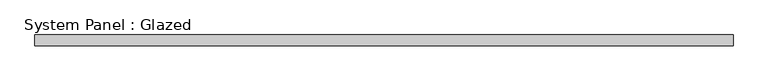
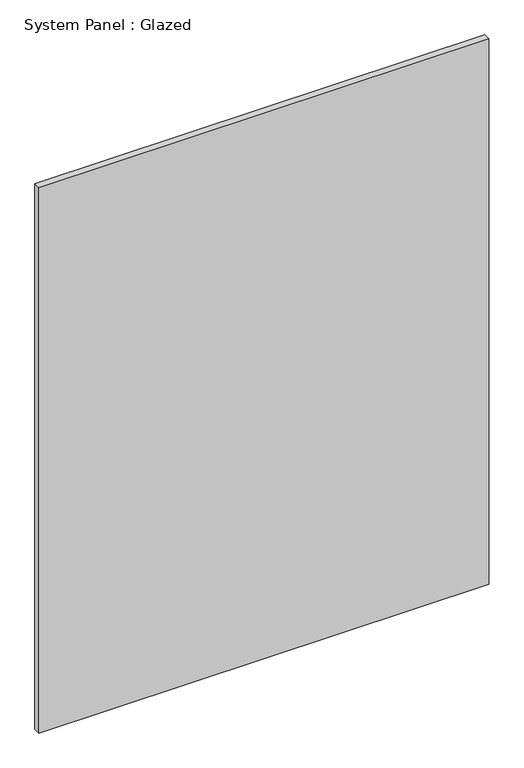
"""IFC4 building model written with IfcOpenShell, lengths in millimetres: plate geometry, System Panel : Glazed."""

import ifcopenshell
import ifcopenshell.guid

model = None  # the IFC model being written
_history = None  # IfcOwnerHistory: only IFC2X3 demands one
_inside = {}  # id of a spatial element -> (the spatial element, [elements in it])
_under = {}  # id of a project, library or spatial element -> (it, [spatial elements below it])
_declared = {}  # id of a project -> (the project, [libraries it declares])
_typed = {}  # id of a type object -> (the type object, [elements of that type])
_made_of = {}  # id of a material, layer set ... -> (it, [elements and type objects made of it])


def new_model(schema):
    """Start an empty IFC model of exactly this schema.

    Asked for "IFC4X3", IfcOpenShell would pick the latest addendum, in which some entities
    have other attributes; the version numbers below select the first issue.
    IFC2X3 requires an IfcOwnerHistory on every rooted entity: one is made here for all.
    """
    global model, _history
    if schema == "IFC4X3":
        model = ifcopenshell.file(schema_version=(4, 3, 0, 0))
    else:
        model = ifcopenshell.file(schema=schema)
    _inside.clear()
    _under.clear()
    _declared.clear()
    _typed.clear()
    _made_of.clear()
    _history = None
    if model.schema == "IFC2X3":
        org = make("IfcOrganization", Name="unknown")
        user = make(
            "IfcPersonAndOrganization",
            ThePerson=make("IfcPerson", FamilyName="unknown"),
            TheOrganization=org,
        )
        app = make(
            "IfcApplication",
            ApplicationDeveloper=org,
            Version="unknown",
            ApplicationFullName="unknown",
            ApplicationIdentifier="unknown",
        )
        _history = make(
            "IfcOwnerHistory",
            OwningUser=user,
            OwningApplication=app,
            ChangeAction="ADDED",
            CreationDate=0,
        )
    return model


def make(cls, **values):
    """One entity of the class cls with the attributes given. An attribute that is None is left unset."""
    return model.create_entity(
        cls, **{name: value for name, value in values.items() if value is not None}
    )


def rooted(cls, **values):
    """An entity with a GlobalId (a new one), such as an element, a storey or a relation."""
    return make(cls, GlobalId=ifcopenshell.guid.new(), OwnerHistory=_history, **values)


def si_unit(unit_type, name, prefix=None):
    """IfcSIUnit, for example si_unit("LENGTHUNIT", "METRE", prefix="MILLI")."""
    return make("IfcSIUnit", UnitType=unit_type, Prefix=prefix, Name=name)


def assignment(units):
    """IfcUnitAssignment: the units of a project."""
    return None if units is None else make("IfcUnitAssignment", Units=units)


def point(xyz):
    """IfcCartesianPoint."""
    return None if xyz is None else make("IfcCartesianPoint", Coordinates=xyz)


def direction(xyz):
    """IfcDirection."""
    return None if xyz is None else make("IfcDirection", DirectionRatios=xyz)


def frame(location, z_axis=None, x_axis=None):
    """IfcAxis2Placement3D, a coordinate frame: its origin and axes. An axis left out is left unset."""
    return make(
        "IfcAxis2Placement3D",
        Location=point(location),
        Axis=direction(z_axis),
        RefDirection=direction(x_axis),
    )


def origin():
    """The frame at (0, 0, 0) with its axes left unset."""
    return frame((0.0, 0.0, 0.0))


def origin_with_axes():
    """The frame at (0, 0, 0) with the z axis (0, 0, 1) and the x axis (1, 0, 0) written out."""
    return frame((0.0, 0.0, 0.0), z_axis=(0.0, 0.0, 1.0), x_axis=(1.0, 0.0, 0.0))


def place(relative_to, where):
    """IfcLocalPlacement: puts the frame where relative to a parent placement (None: the world)."""
    return make(
        "IfcLocalPlacement", PlacementRelTo=relative_to, RelativePlacement=where
    )


def context(
    kind, dimensions, precision=None, world=None, true_north=None, identifier=None
):
    """IfcGeometricRepresentationContext, for example the 3D "Model" context."""
    return make(
        "IfcGeometricRepresentationContext",
        ContextIdentifier=identifier,
        ContextType=kind,
        CoordinateSpaceDimension=dimensions,
        Precision=precision,
        WorldCoordinateSystem=world,
        TrueNorth=true_north,
    )


def project(units=None, contexts=None):
    """IfcProject with its units and contexts."""
    return rooted(
        "IfcProject",
        Name="project",
        RepresentationContexts=contexts,
        UnitsInContext=assignment(units),
    )


def spatial(cls, under=None, at=None, **own):
    """A site, building, storey or space (cls), placed at a placement, below another one or the project."""
    s = rooted(cls, ObjectPlacement=at, **own)
    if under is not None:
        _under.setdefault(under.id(), (under, []))[1].append(s)
    return s


def polyline(points):
    """IfcPolyline through the points."""
    return make("IfcPolyline", Points=[point(p) for p in points])


def outline(outer, holes=None, kind="AREA"):
    """IfcArbitraryClosedProfileDef: a profile drawn as a closed curve; with holes, ...WithVoids."""
    if holes is None:
        return make("IfcArbitraryClosedProfileDef", ProfileType=kind, OuterCurve=outer)
    return make(
        "IfcArbitraryProfileDefWithVoids",
        ProfileType=kind,
        OuterCurve=outer,
        InnerCurves=holes,
    )


def extrude(swept, where, along, depth):
    """IfcExtrudedAreaSolid: the profile swept, set in the frame where, extruded along a direction by depth."""
    return make(
        "IfcExtrudedAreaSolid",
        SweptArea=swept,
        Position=where,
        ExtrudedDirection=direction(along),
        Depth=depth,
    )


def shape(context_of_items, identifier, shape_type, items):
    """IfcShapeRepresentation: the items that make up one representation, for example the "Body"."""
    return make(
        "IfcShapeRepresentation",
        ContextOfItems=context_of_items,
        RepresentationIdentifier=identifier,
        RepresentationType=shape_type,
        Items=items,
    )


def source(mapping_origin, context_of_items, identifier, shape_type, items):
    """IfcRepresentationMap: a shape defined once, which mapped items show again and again."""
    return make(
        "IfcRepresentationMap",
        MappingOrigin=mapping_origin,
        MappedRepresentation=shape(context_of_items, identifier, shape_type, items),
    )


def transform(
    local_origin,
    x_axis=None,
    y_axis=None,
    z_axis=None,
    scale=None,
    scale2=None,
    scale3=None,
    uniform=True,
):
    """IfcCartesianTransformationOperator3D, or its non-uniform kind. x_axis, y_axis, z_axis: its Axis1, 2, 3."""
    if uniform:
        return make(
            "IfcCartesianTransformationOperator3D",
            Axis1=direction(x_axis),
            Axis2=direction(y_axis),
            LocalOrigin=point(local_origin),
            Scale=scale,
            Axis3=direction(z_axis),
        )
    return make(
        "IfcCartesianTransformationOperator3DnonUniform",
        Axis1=direction(x_axis),
        Axis2=direction(y_axis),
        LocalOrigin=point(local_origin),
        Scale=scale,
        Axis3=direction(z_axis),
        Scale2=scale2,
        Scale3=scale3,
    )


def mapped(mapping_source, mapping_target):
    """IfcMappedItem: shows the shape of a source again, moved by a transform."""
    return make(
        "IfcMappedItem", MappingSource=mapping_source, MappingTarget=mapping_target
    )


def made_of(thing, what):
    """Note that an element or type object is made of a material, layer set ...; save() writes the relation."""
    if what is not None:
        _made_of.setdefault(what.id(), (what, []))[1].append(thing)
    return thing


def element(
    cls,
    number,
    at=None,
    inside=None,
    cuts=None,
    type_object=None,
    material=None,
    context=None,
    identifier="Body",
    shape_type=None,
    held_by="IfcProductDefinitionShape",
    body=None,
    shapes=None,
    **own,
):
    """One element of the class cls, such as IfcWall. Its Tag is "e" and its number.

    at: its placement. inside: the storey or other place that contains it. cuts: it is an
    opening in that element (IfcRelVoidsElement). A single representation is given by context,
    identifier, shape_type and body (its items); several are given by shapes. held_by: the class
    of the entity that holds the representations. save() writes the other relations.
    """
    e = rooted(cls, Tag="e%d" % number, ObjectPlacement=at, **own)
    if body is not None:
        shapes = [shape(context, identifier, shape_type, body)]
    if shapes is not None:
        e.Representation = make(held_by, Representations=shapes)
    if inside is not None:
        _inside.setdefault(inside.id(), (inside, []))[1].append(e)
    if cuts is not None:
        rooted(
            "IfcRelVoidsElement", RelatingBuildingElement=cuts, RelatedOpeningElement=e
        )
    if type_object is not None:
        _typed.setdefault(type_object.id(), (type_object, []))[1].append(e)
    return made_of(e, material)


def aggregate(whole, parts):
    """IfcRelAggregates: a whole, such as a stair, and the parts it consists of."""
    return rooted("IfcRelAggregates", RelatingObject=whole, RelatedObjects=parts)


def save(model, path):
    """Write the relations noted so far, then the file.

    IfcRelAggregates (storeys below a building ...), IfcRelContainedInSpatialStructure (elements
    in a storey), IfcRelDefinesByType, IfcRelAssociatesMaterial and IfcRelDeclares: one each for
    every whole, place, type object, material and project.
    """
    for whole, parts in _under.values():
        aggregate(whole, parts)
    for where, things in _inside.values():
        rooted(
            "IfcRelContainedInSpatialStructure",
            RelatedElements=things,
            RelatingStructure=where,
        )
    for kind, things in _typed.values():
        rooted("IfcRelDefinesByType", RelatedObjects=things, RelatingType=kind)
    for what, things in _made_of.values():
        rooted("IfcRelAssociatesMaterial", RelatedObjects=things, RelatingMaterial=what)
    for by, libraries in _declared.values():
        rooted("IfcRelDeclares", RelatingContext=by, RelatedDefinitions=libraries)
    model.write(path)


def system_panel_glazed_c1424305(model_context):
    return source(origin(), model_context, "Body", "SweptSolid", [
        extrude(outline(polyline([(799.5209386, -49.5), (-799.5209386, -49.5), (-799.5209386, -24.5), (799.5209386, -24.5), (799.5209386, -49.5)])), origin_with_axes(), (0.0, 0.0, 1.0), 2050.0),
    ])


if __name__ == "__main__":
    model = new_model("IFC4")
    model_context = context("Model", 3, world=origin())
    ifc_project = project(units=[si_unit("LENGTHUNIT", "METRE", prefix="MILLI")], contexts=[model_context])
    site = spatial("IfcSite", under=ifc_project)
    building = spatial("IfcBuilding", under=site)
    placement = place(None, origin())
    system_panel_glazed_shape = system_panel_glazed_c1424305(model_context)
    element("IfcPlate", 1, ObjectType="System Panel : Glazed", at=placement, inside=building, context=model_context, shape_type="MappedRepresentation", body=[
        mapped(system_panel_glazed_shape, transform((0.0, 0.0, 0.0), x_axis=(1.0, 0.0, 0.0), y_axis=(0.0, 1.0, 0.0), z_axis=(0.0, 0.0, 1.0))),
    ])
    save(model, "model.ifc")
